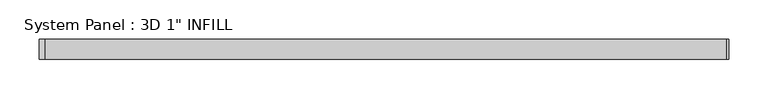
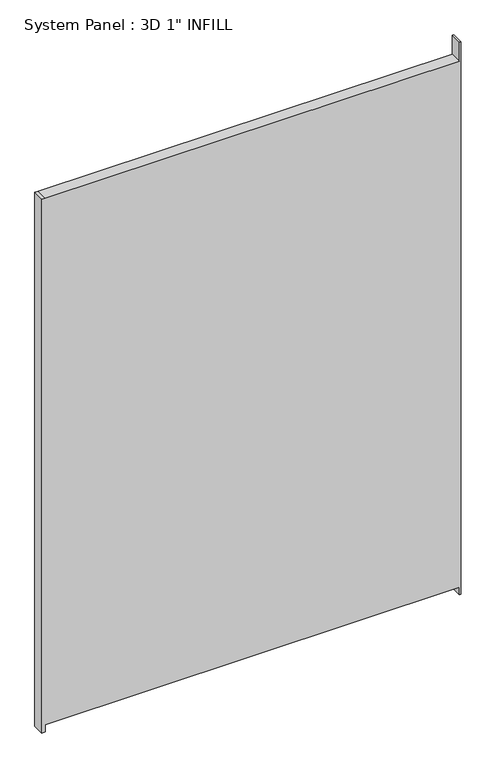
"""IFC4 building model written with IfcOpenShell, lengths in millimetres: plate geometry."""

from ifc_helpers import new_model, si_unit, frame, origin, place, context, project, spatial, polyline, outline, extrude, source, transform, mapped, element, save


def plate_26d9c30a(model_context):
    return source(origin(), model_context, "Body", "SweptSolid", [
        extrude(outline(polyline([(0.0, -437.753125), (0.0, -430.3877473), (15.875542, -430.3877473), (15.875542, 435.0998113), (0.0, 435.0998113), (0.0, 437.753125), (1219.2, 437.753125), (1219.2, 435.0998113), (1177.925, 435.0998113), (1177.925, -430.3877473), (1177.925, -437.753125), (0.0, -437.753125)])), frame((0.0, -12.7, 0.0), z_axis=(0.0, 1.0, 0.0), x_axis=(0.0, 0.0, 1.0)), (0.0, 0.0, 1.0), 25.4),
    ])


if __name__ == "__main__":
    model = new_model("IFC4")
    model_context = context("Model", 3, world=origin())
    ifc_project = project(units=[si_unit("LENGTHUNIT", "METRE", prefix="MILLI")], contexts=[model_context])
    site = spatial("IfcSite", under=ifc_project)
    building = spatial("IfcBuilding", under=site)
    placement = place(None, origin())
    plate_shape = plate_26d9c30a(model_context)
    element("IfcPlate", 1, ObjectType="System Panel : 3D 1\" INFILL", at=placement, inside=building, context=model_context, shape_type="MappedRepresentation", body=[
        mapped(plate_shape, transform((0.0, 0.0, 0.0), x_axis=(1.0, 0.0, 0.0), y_axis=(0.0, 1.0, 0.0), z_axis=(0.0, 0.0, 1.0))),
    ])
    save(model, "model.ifc")
